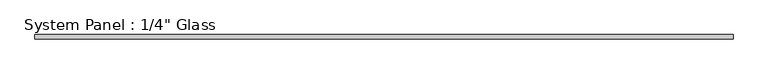
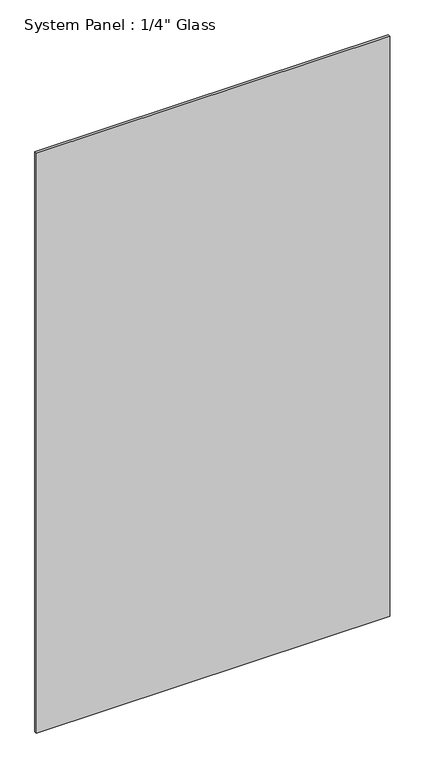
"""IFC4 building model written with IfcOpenShell, lengths in millimetres: plate geometry."""

from ifc_helpers import new_model, si_unit, origin, origin_with_axes, place, context, project, spatial, polyline, outline, extrude, source, transform, mapped, element, save


def plate_63d556f5(model_context):
    return source(origin(), model_context, "Body", "SweptSolid", [
        extrude(outline(polyline([(501.65, -3.175), (-501.65, -3.175), (-501.65, 3.175), (501.65, 3.175), (501.65, -3.175)])), origin_with_axes(), (0.0, 0.0, 1.0), 1739.9),
    ])


if __name__ == "__main__":
    model = new_model("IFC4")
    model_context = context("Model", 3, world=origin())
    ifc_project = project(units=[si_unit("LENGTHUNIT", "METRE", prefix="MILLI")], contexts=[model_context])
    site = spatial("IfcSite", under=ifc_project)
    building = spatial("IfcBuilding", under=site)
    placement = place(None, origin())
    plate_shape = plate_63d556f5(model_context)
    element("IfcPlate", 1, ObjectType="System Panel : 1/4\" Glass", at=placement, inside=building, context=model_context, shape_type="MappedRepresentation", body=[
        mapped(plate_shape, transform((0.0, 0.0, 0.0), x_axis=(1.0, 0.0, 0.0), y_axis=(0.0, 1.0, 0.0), z_axis=(0.0, 0.0, 1.0))),
    ])
    save(model, "model.ifc")
